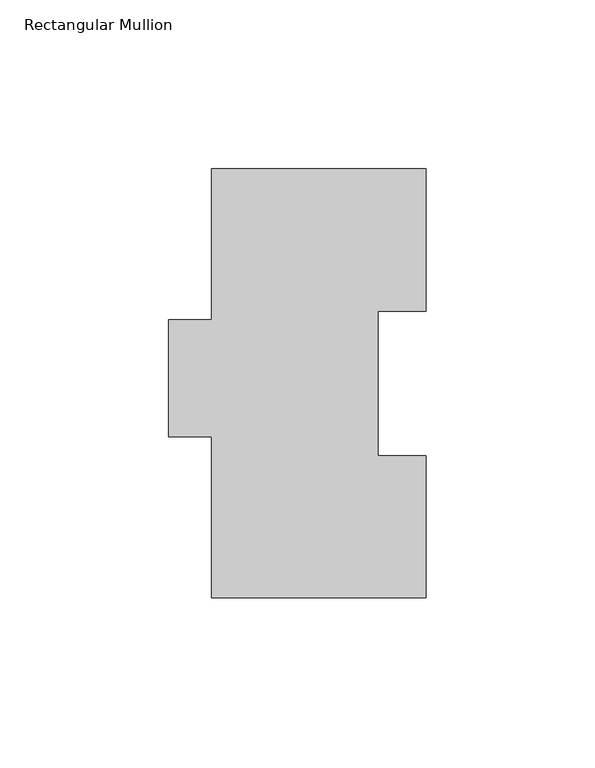
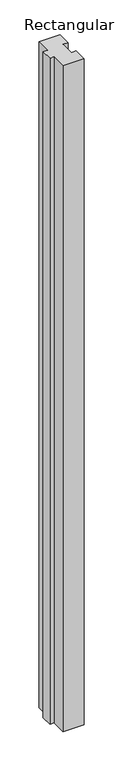
"""IFC4 building model written with IfcOpenShell, lengths in millimetres: member geometry, Rectangular Mullion."""

from ifc_helpers import new_model, si_unit, frame, origin, place, context, project, spatial, polyline, outline, extrude, source, transform, mapped, element, save


def rectangular_mullion_61668c8b(model_context):
    return source(origin(), model_context, "Body", "SweptSolid", [
        extrude(outline(polyline([(-31.75, 127.00635), (31.7502713, 127.00635), (31.7502713, 84.93125), (17.4622287, 84.93125), (17.4622287, 42.08145), (31.7497287, 42.08145), (31.7497287, 0.00635), (-31.75, 0.00635), (-31.75, 47.63135), (-44.4497287, 47.63135), (-44.4497287, 82.30235), (-31.75, 82.30235), (-31.75, 127.00635)])), frame((0.0, 0.0, -2133.6), z_axis=(0.0, 0.0, 1.0), x_axis=(1.0, 0.0, 0.0)), (0.0, 0.0, 1.0), 2133.6),
    ])


if __name__ == "__main__":
    model = new_model("IFC4")
    model_context = context("Model", 3, world=origin())
    ifc_project = project(units=[si_unit("LENGTHUNIT", "METRE", prefix="MILLI")], contexts=[model_context])
    site = spatial("IfcSite", under=ifc_project)
    building = spatial("IfcBuilding", under=site)
    placement = place(None, origin())
    rectangular_mullion_shape = rectangular_mullion_61668c8b(model_context)
    element("IfcMember", 1, ObjectType="Rectangular Mullion", at=placement, inside=building, context=model_context, shape_type="MappedRepresentation", body=[
        mapped(rectangular_mullion_shape, transform((0.0, 0.0, 0.0), x_axis=(1.0, 0.0, 0.0), y_axis=(0.0, 1.0, 0.0), z_axis=(0.0, 0.0, 1.0))),
    ])
    save(model, "model.ifc")
